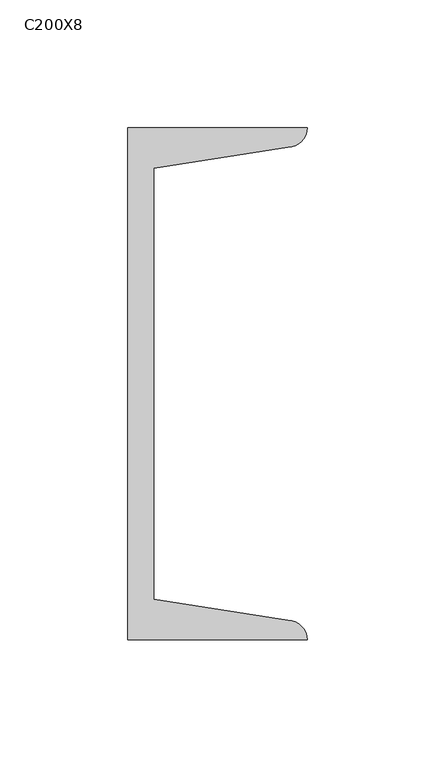
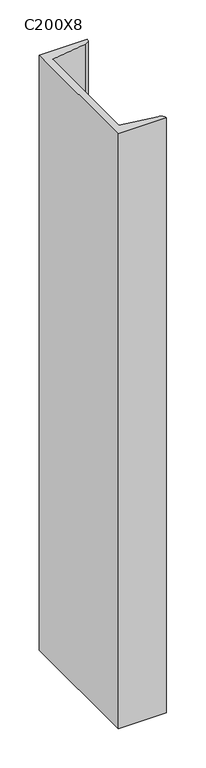
"""IFC4 building model written with IfcOpenShell, lengths in millimetres: column geometry, C200X8."""

from ifc_helpers import new_model, si_unit, point, frame, frame_2d, origin, place, context, project, spatial, polyline, circle_curve, trimmed, segment, composite_curve, outline, extrude, source, transform, mapped, element, save


def c200x8_2d574d55(model_context):
    return source(origin(), model_context, "Body", "SweptSolid", [
        extrude(outline(composite_curve([segment(polyline([(5.0, -100.0), (5.0, 100.0), (75.0, 100.0)]), True, "CONTINUOUS"), segment(trimmed(circle_curve(frame_2d((67.5, 100.0)), 7.5), [point((75.0, 100.0))], [point((67.5, 92.5))], False, "CARTESIAN"), True, "CONTINUOUS"), segment(polyline([(67.5, 92.5), (15.0, 84.1848169), (15.0, -84.1848169), (67.5, -92.5)]), True, "CONTINUOUS"), segment(trimmed(circle_curve(frame_2d((67.5, -100.0)), 7.5), [point((67.5, -92.5))], [point((75.0, -100.0))], False, "CARTESIAN"), True, "CONTINUOUS"), segment(polyline([(75.0, -100.0), (5.0, -100.0)]), True, "CONTINUOUS")], self_intersect=False)), frame((0.0, 0.0, 9380.0), z_axis=(0.0, 0.0, 1.0), x_axis=(1.0, 0.0, 0.0)), (0.0, 0.0, 1.0), 920.0),
    ])


if __name__ == "__main__":
    model = new_model("IFC4")
    model_context = context("Model", 3, world=origin())
    ifc_project = project(units=[si_unit("LENGTHUNIT", "METRE", prefix="MILLI")], contexts=[model_context])
    site = spatial("IfcSite", under=ifc_project)
    building = spatial("IfcBuilding", under=site)
    placement = place(None, origin())
    c200x8_shape = c200x8_2d574d55(model_context)
    element("IfcColumn", 1, ObjectType="C200X8", at=placement, inside=building, context=model_context, shape_type="MappedRepresentation", body=[
        mapped(c200x8_shape, transform((0.0, 0.0, 0.0), x_axis=(1.0, 0.0, 0.0), y_axis=(0.0, 1.0, 0.0), z_axis=(0.0, 0.0, 1.0))),
    ])
    save(model, "model.ifc")
